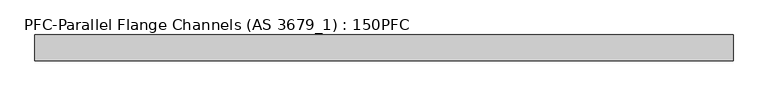
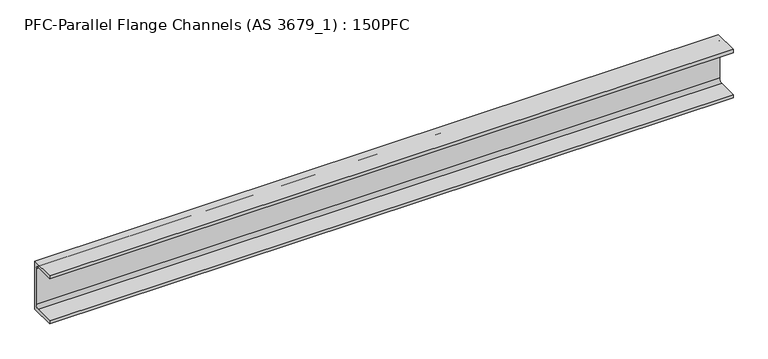
"""IFC4 building model written with IfcOpenShell, lengths in millimetres: beam geometry, PFC-Parallel Flange Channels (AS 3679_1) : 150PFC."""

from ifc_helpers import new_model, si_unit, point, frame, frame_2d, origin, place, context, project, spatial, polyline, circle_curve, trimmed, segment, composite_curve, outline, extrude, source, transform, mapped, element, save


def pfc_parallel_flange_channels_as_3679_1_150pfc_633deab4(model_context):
    return source(origin(), model_context, "Body", "SweptSolid", [
        extrude(outline(composite_curve([segment(polyline([(24.9, 75.0), (24.9, -75.0), (-50.1, -75.0), (-50.1, -65.5), (8.9, -65.5)]), True, "CONTINUOUS"), segment(trimmed(circle_curve(frame_2d((8.9, -55.5)), 10.0), [point((8.9, -65.5))], [point((18.9, -55.5))], True, "CARTESIAN"), True, "CONTINUOUS"), segment(polyline([(18.9, -55.5), (18.9, 55.5)]), True, "CONTINUOUS"), segment(trimmed(circle_curve(frame_2d((8.9, 55.5)), 10.0), [point((18.9, 55.5))], [point((8.9, 65.5))], True, "CARTESIAN"), True, "CONTINUOUS"), segment(polyline([(8.9, 65.5), (-50.1, 65.5), (-50.1, 75.0), (24.9, 75.0)]), True, "CONTINUOUS")], self_intersect=False)), frame((-977.25, 0.0, 0.0), z_axis=(1.0, 0.0, 0.0), x_axis=(0.0, 1.0, 0.0)), (0.0, 0.0, 1.0), 2017.5),
    ])


if __name__ == "__main__":
    model = new_model("IFC4")
    model_context = context("Model", 3, world=origin())
    ifc_project = project(units=[si_unit("LENGTHUNIT", "METRE", prefix="MILLI")], contexts=[model_context])
    site = spatial("IfcSite", under=ifc_project)
    building = spatial("IfcBuilding", under=site)
    placement = place(None, origin())
    pfc_parallel_flange_channels_as_3679_1_150pfc_shape = pfc_parallel_flange_channels_as_3679_1_150pfc_633deab4(model_context)
    element("IfcBeam", 1, ObjectType="PFC-Parallel Flange Channels (AS 3679_1) : 150PFC", at=placement, inside=building, context=model_context, shape_type="MappedRepresentation", body=[
        mapped(pfc_parallel_flange_channels_as_3679_1_150pfc_shape, transform((0.0, 0.0, 0.0), x_axis=(1.0, 0.0, 0.0), y_axis=(0.0, 1.0, 0.0), z_axis=(0.0, 0.0, 1.0))),
    ])
    save(model, "model.ifc")
